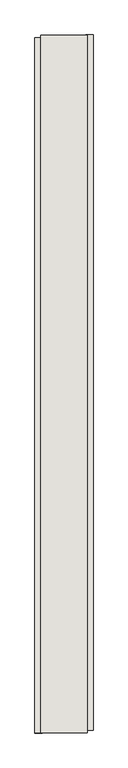
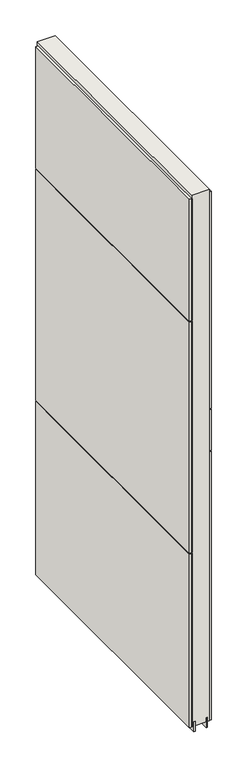
"""IFC4 building model written with IfcOpenShell, lengths in millimetres: wall geometry."""

from ifc_helpers import new_model, si_unit, frame, origin, place, context, project, spatial, polyline, outline, extrude, source, transform, mapped, element, save


def wall_efa0b600(model_context):
    return source(origin(), model_context, "Body", "SweptSolid", [
        extrude(outline(polyline([(51817.4988286, -40633.0906666), (51817.4988286, -40630.5506666), (51820.0388286, -40630.5506666), (51820.0388286, -40633.0906666), (51817.4988286, -40633.0906666)])), frame((0.0, 0.0, 4419.6), z_axis=(0.0, 0.0, 1.0), x_axis=(1.0, 0.0, 0.0)), (0.0, 0.0, 1.0), 2.54),
        extrude(outline(polyline([(51869.5688286, -40630.0875484), (51869.5688286, -41845.2875564), (51856.8688286, -41845.2875564), (51856.8688286, -40630.0875484), (51869.5688286, -40630.0875484)])), frame((0.0, 0.0, 5945.599869), z_axis=(0.0, 0.0, 1.0), x_axis=(1.0, 0.0, 0.0)), (0.0, 0.0, 1.0), 1044.449905),
        extrude(outline(polyline([(51869.5688286, -40630.0875484), (51869.5688286, -41845.2875564), (51856.8688286, -41845.2875564), (51856.8688286, -40630.0875484), (51869.5688286, -40630.0875484)])), frame((0.0, 0.0, 5742.3999706), z_axis=(0.0, 0.0, 1.0), x_axis=(1.0, 0.0, 0.0)), (0.0, 0.0, 1.0), 199.2000512),
        extrude(outline(polyline([(51869.5688286, -40630.0875484), (51869.5688286, -41845.2875564), (51856.8688286, -41845.2875564), (51856.8688286, -40630.0875484), (51869.5688286, -40630.0875484)])), frame((0.0, 0.0, 4445.0), z_axis=(0.0, 0.0, 1.0), x_axis=(1.0, 0.0, 0.0)), (0.0, 0.0, 1.0), 1293.400004),
        extrude(outline(polyline([(51767.9688286, -41850.2174932), (51767.9688286, -40635.0174852), (51780.6688286, -40635.0174852), (51780.6688286, -41850.2174932), (51767.9688286, -41850.2174932)])), frame((0.0, 0.0, 6402.8000722), z_axis=(0.0, 0.0, 1.0), x_axis=(1.0, 0.0, 0.0)), (0.0, 0.0, 1.0), 587.2498034),
        extrude(outline(polyline([(51767.9688286, -41850.2174932), (51767.9688286, -40635.0174852), (51780.6688286, -40635.0174852), (51780.6688286, -41850.2174932), (51767.9688286, -41850.2174932)])), frame((0.0, 0.0, 5285.2000722), z_axis=(0.0, 0.0, 1.0), x_axis=(1.0, 0.0, 0.0)), (0.0, 0.0, 1.0), 1113.5999572),
        extrude(outline(polyline([(51767.9688286, -41850.2174932), (51767.9688286, -40635.0174852), (51780.6688286, -40635.0174852), (51780.6688286, -41850.2174932), (51767.9688286, -41850.2174932)])), frame((0.0, 0.0, 4445.0), z_axis=(0.0, 0.0, 1.0), x_axis=(1.0, 0.0, 0.0)), (0.0, 0.0, 1.0), 836.200004),
        extrude(outline(polyline([(51843.8649684, -41849.7525208), (51843.8649684, -40630.5525208), (51848.9437238, -40630.5525208), (51848.9437238, -41849.7525208), (51843.8649684, -41849.7525208)])), frame((0.0, 0.0, 4418.6602), z_axis=(0.0, 0.0, 1.0), x_axis=(1.0, 0.0, 0.0)), (0.0, 0.0, 1.0), 47.625),
        extrude(outline(polyline([(51843.8649684, -41849.7525208), (51843.8649684, -40630.5525208), (51848.9437238, -40630.5525208), (51848.9437238, -41849.7525208), (51843.8649684, -41849.7525208)])), frame((0.0, 0.0, 4418.6602), z_axis=(0.0, 0.0, 1.0), x_axis=(1.0, 0.0, 0.0)), (0.0, 0.0, 1.0), 47.625),
        extrude(outline(polyline([(51793.6726888, -40630.5525208), (51793.6726888, -41849.7525208), (51788.6187238, -41849.7525208), (51788.6187238, -40630.5525208), (51793.6726888, -40630.5525208)])), frame((0.0, 0.0, 4418.6602), z_axis=(0.0, 0.0, 1.0), x_axis=(1.0, 0.0, 0.0)), (0.0, 0.0, 1.0), 47.625),
        extrude(outline(polyline([(51793.6726888, -40630.5525208), (51793.6726888, -41849.7525208), (51788.6187238, -41849.7525208), (51788.6187238, -40630.5525208), (51793.6726888, -40630.5525208)])), frame((0.0, 0.0, 4418.6602), z_axis=(0.0, 0.0, 1.0), x_axis=(1.0, 0.0, 0.0)), (0.0, 0.0, 1.0), 47.625),
        extrude(outline(polyline([(51859.4081936, -41849.7525208), (51778.1294382, -41849.7525208), (51778.1294382, -40630.5525208), (51859.4081936, -40630.5525208), (51859.4081936, -41849.7525208)])), frame((0.0, 0.0, 4445.0), z_axis=(0.0, 0.0, 1.0), x_axis=(1.0, 0.0, 0.0)), (0.0, 0.0, 1.0), 2562.4536762),
    ])


if __name__ == "__main__":
    model = new_model("IFC4")
    model_context = context("Model", 3, world=origin())
    ifc_project = project(units=[si_unit("LENGTHUNIT", "METRE", prefix="MILLI")], contexts=[model_context])
    site = spatial("IfcSite", under=ifc_project)
    building = spatial("IfcBuilding", under=site)
    placement = place(None, origin())
    wall_shape = wall_efa0b600(model_context)
    element("IfcWall", 1, at=placement, inside=building, context=model_context, shape_type="MappedRepresentation", body=[
        mapped(wall_shape, transform((0.0, 0.0, 0.0), x_axis=(1.0, 0.0, 0.0), y_axis=(0.0, 1.0, 0.0), z_axis=(0.0, 0.0, 1.0))),
    ])
    save(model, "model.ifc")
